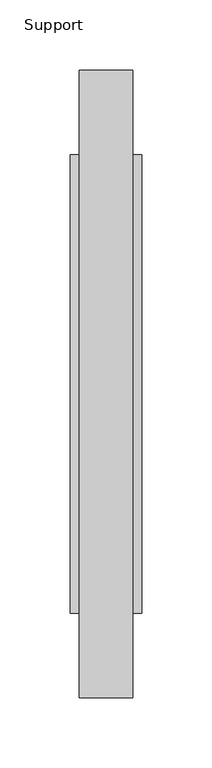
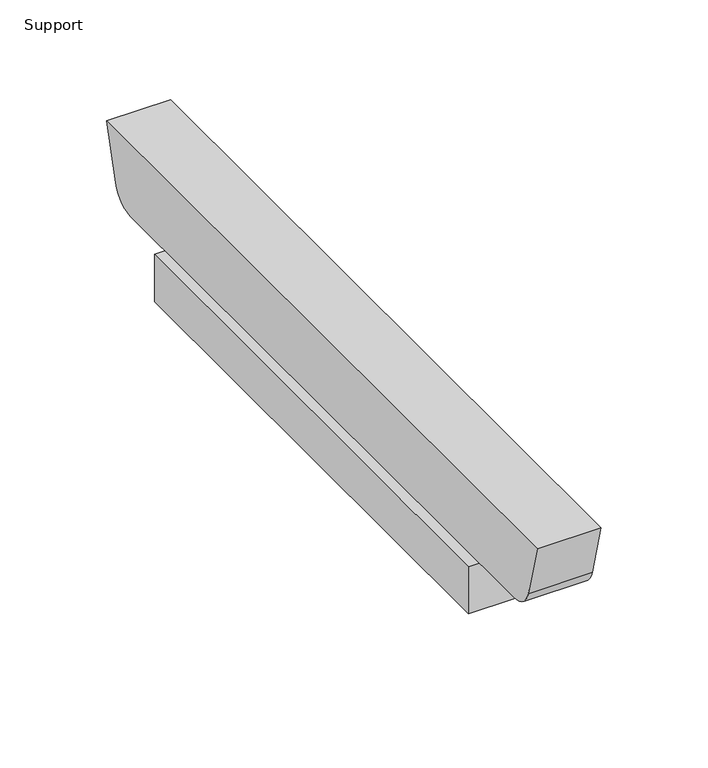
"""IFC4 building model written with IfcOpenShell, lengths in millimetres: furniture geometry, Support."""

from ifc_helpers import new_model, si_unit, point, frame, frame_2d, origin, place, context, project, spatial, polyline, circle_curve, trimmed, segment, composite_curve, outline, extrude, source, transform, mapped, element, save


def support_5b30c7c5(model_context):
    return source(origin(), model_context, "Body", "SweptSolid", [
        extrude(outline(composite_curve([segment(polyline([(-46.9566016, 711.2), (-56.0147024, 677.3947076)]), True, "CONTINUOUS"), segment(trimmed(circle_curve(frame_2d((-71.3487749, 681.5034599)), 15.875), [point((-56.0147024, 677.3947076))], [point((-71.3487749, 665.6284599))], False, "CARTESIAN"), True, "CONTINUOUS"), segment(polyline([(-71.3487749, 665.6284599), (-469.4456783, 665.6284599)]), True, "CONTINUOUS"), segment(trimmed(circle_curve(frame_2d((-469.4456783, 681.5034599)), 15.875), [point((-469.4456783, 665.6284599))], [point((-484.7797508, 677.3947076))], False, "CARTESIAN"), True, "CONTINUOUS"), segment(polyline([(-484.7797508, 677.3947076), (-493.8378516, 711.2), (-46.9566016, 711.2)]), True, "CONTINUOUS")], self_intersect=False)), frame((196.85, 0.0, 0.0), z_axis=(1.0, 0.0, 0.0), x_axis=(0.0, 1.0, 0.0)), (0.0, 0.0, 1.0), 38.1),
        extrude(outline(polyline([(241.3, -107.2816016), (241.3, -433.5128516), (190.5, -433.5128516), (190.5, -107.2816016), (241.3, -107.2816016)])), frame((0.0, 0.0, 635.6476591), z_axis=(0.0, 0.0, 1.0), x_axis=(1.0, 0.0, 0.0)), (0.0, 0.0, 1.0), 29.9808008),
    ])


if __name__ == "__main__":
    model = new_model("IFC4")
    model_context = context("Model", 3, world=origin())
    ifc_project = project(units=[si_unit("LENGTHUNIT", "METRE", prefix="MILLI")], contexts=[model_context])
    site = spatial("IfcSite", under=ifc_project)
    building = spatial("IfcBuilding", under=site)
    placement = place(None, origin())
    support_shape = support_5b30c7c5(model_context)
    element("IfcFurniture", 1, ObjectType="Support", at=placement, inside=building, context=model_context, shape_type="MappedRepresentation", body=[
        mapped(support_shape, transform((0.0, 0.0, 0.0), x_axis=(1.0, 0.0, 0.0), y_axis=(0.0, 1.0, 0.0), z_axis=(0.0, 0.0, 1.0))),
    ])
    save(model, "model.ifc")
